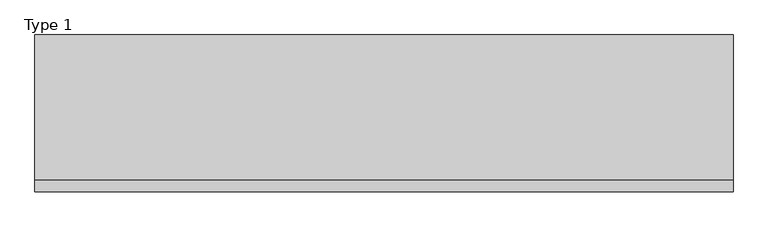
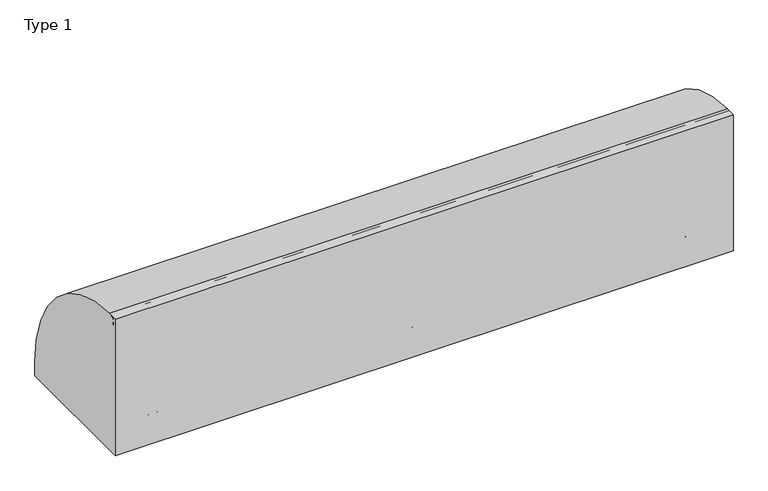
"""IFC4 building model written with IfcOpenShell, lengths in millimetres: railing geometry, Type 1."""

from ifc_helpers import new_model, si_unit, point, frame, frame_2d, origin, origin_with_axes, place, context, project, spatial, polyline, circle_curve, trimmed, segment, composite_curve, outline, extrude, source, transform, mapped, element, save
from ifc_brep_helpers import plane_surface, cylinder_surface, revolved_surface, advanced_brep


def type_1_de88c6c5(model_context):
    return source(origin(), model_context, "Body", "SolidModel", [
        extrude(outline(composite_curve([segment(polyline([(-209.2, 1050.0), (-132.6546144, 1050.0)]), True, "CONTINUOUS"), segment(trimmed(circle_curve(frame_2d((-139.8273072, 108.0)), 942.0273072), [point((-132.6546144, 1050.0))], [point((802.2, 108.0))], False, "CARTESIAN"), True, "CONTINUOUS"), segment(polyline([(802.2, 108.0), (802.2, 0.0), (-209.2, 0.0), (-209.2, 1050.0)]), True, "CONTINUOUS")], self_intersect=False)), frame((-300.0, 0.0, 0.0), z_axis=(1.0, 0.0, 0.0), x_axis=(0.0, 1.0, 0.0)), (0.0, 0.0, 1.0), 4500.0),
        extrude(outline(composite_curve([segment(trimmed(circle_curve(frame_2d((-131.287505, 538.0)), 20.0), [point((-112.7, 530.617273))], [point((-147.0, 525.6259343))], False, "CARTESIAN"), True, "CONTINUOUS"), segment(polyline([(-147.0, 525.6259343), (-147.0, 550.3740657)]), True, "CONTINUOUS"), segment(trimmed(circle_curve(frame_2d((-131.287505, 538.0)), 20.0), [point((-147.0, 550.3740657))], [point((-112.7, 545.382727))], False, "CARTESIAN"), True, "CONTINUOUS"), segment(polyline([(-112.7, 545.382727), (-116.7, 545.382727), (-116.7, 530.617273), (-112.7, 530.617273)]), True, "CONTINUOUS")], self_intersect=False)), frame((-280.0, 0.0, 0.0), z_axis=(1.0, 0.0, 0.0), x_axis=(0.0, 1.0, 0.0)), (0.0, 0.0, 1.0), 4470.0),
        extrude(outline(composite_curve([segment(trimmed(circle_curve(frame_2d((-166.0, 1025.0)), 25.0), [point((-187.0, 1011.43534))], [point((-145.0, 1011.43534))], False, "CARTESIAN"), True, "CONTINUOUS"), segment(polyline([(-145.0, 1011.43534), (-145.0, 993.0), (-146.0, 993.0), (-146.0, 1008.0), (-186.0, 1008.0), (-186.0, 993.0), (-187.0, 993.0), (-187.0, 1011.43534)]), True, "CONTINUOUS")], self_intersect=False)), frame((-300.0, 0.0, 0.0), z_axis=(1.0, 0.0, 0.0), x_axis=(0.0, 1.0, 0.0)), (0.0, 0.0, 1.0), 4500.0),
        extrude(outline(polyline([(1870.0, -185.0), (1870.0, 0.0), (1915.0, 0.0), (1915.0, -185.0), (1870.0, -185.0)])), origin_with_axes(), (0.0, 0.0, 1.0), 2.5),
        extrude(outline(composite_curve([segment(polyline([(-185.0, 185.0), (-154.0180942, 185.0)]), True, "CONTINUOUS"), segment(trimmed(circle_curve(frame_2d((-154.0180942, 112.1212122)), 72.8787879), [point((-154.0180942, 185.0))], [point((-102.485009, 163.6542973))], False, "CARTESIAN"), True, "CONTINUOUS"), segment(polyline([(-102.485009, 163.6542973), (-4.3933983, 65.5626865)]), True, "CONTINUOUS"), segment(trimmed(circle_curve(frame_2d((-15.0, 54.9560848)), 15.0), [point((-4.3933983, 65.5626865))], [point((0.0, 54.9560848))], False, "CARTESIAN"), True, "CONTINUOUS"), segment(polyline([(0.0, 54.9560848), (0.0, 0.0), (-185.0, 0.0), (-185.0, 185.0)]), True, "CONTINUOUS")], self_intersect=False), holes=[composite_curve([segment(trimmed(circle_curve(frame_2d((-92.5196719, 93.0361975)), 5.6060606), [point((-98.1257325, 93.0361975))], [point((-86.9136113, 93.0361975))], True, "CARTESIAN"), True, "CONTINUOUS"), segment(trimmed(circle_curve(frame_2d((-165.5151515, 93.0361975)), 78.6015402), [point((-86.9136113, 93.0361975))], [point((-165.5151515, 171.6377377))], True, "CARTESIAN"), True, "CONTINUOUS"), segment(trimmed(circle_curve(frame_2d((-165.5151515, 166.0316771)), 5.6060606), [point((-165.5151515, 171.6377377))], [point((-171.1212121, 166.0316771))], True, "CARTESIAN"), True, "CONTINUOUS"), segment(polyline([(-171.1212121, 166.0316771), (-171.1212121, 143.5676849)]), True, "CONTINUOUS"), segment(trimmed(circle_curve(frame_2d((-165.5151515, 143.5676849)), 5.6060606), [point((-171.1212121, 143.5676849))], [point((-159.9090909, 143.5676849))], True, "CARTESIAN"), True, "CONTINUOUS"), segment(polyline([(-159.9090909, 143.5676849), (-159.9090909, 157.7293747)]), True, "CONTINUOUS"), segment(trimmed(circle_curve(frame_2d((-157.6849895, 157.7293747)), 2.2241014), [point((-159.9090909, 157.7293747))], [point((-157.417745, 159.9373619))], False, "CARTESIAN"), True, "CONTINUOUS"), segment(trimmed(circle_curve(frame_2d((-165.5151515, 93.0361975)), 67.389419), [point((-157.417745, 159.9373619))], [point((-98.1257325, 93.0361975))], False, "CARTESIAN"), True, "CONTINUOUS")], self_intersect=False)]), frame((1915.0, 0.0, 0.0), z_axis=(1.0, 0.0, 0.0), x_axis=(0.0, 1.0, 0.0)), (0.0, 0.0, 1.0), 3.0),
        advanced_brep(
        [(1982.0, -185.0, 185.0), (1982.0, -154.0180942, 185.0), (1982.0, -102.485009, 163.6542973), (1982.0, -4.3933983, 65.5626865), (1982.0, 0.0, 54.9560848), (1982.0, 0.0, 0.0), (1982.0, -185.0, 0.0), (1982.0, -185.0, 100.9768515), (1982.0, -98.1257325, 93.0361975), (1982.0, -86.9136113, 93.0361975), (1982.0, -165.5151515, 171.6377377), (1982.0, -171.1212121, 166.0316771), (1982.0, -171.1212121, 143.5676849), (1982.0, -159.9090909, 143.5676849), (1982.0, -159.9090909, 157.7293747), (1982.0, -157.417745, 159.9373619), (1985.0, 0.0, 54.9560848), (1985.0, -4.3933983, 65.5626865), (1985.0, -102.485009, 163.6542973), (1985.0, -154.0180942, 185.0), (1985.0, -188.0, 185.0), (1985.0, -188.0, 100.9768515), (1985.0, -185.0, 100.9768515), (1985.0, -185.0, 2.5), (1985.0, 0.0, 2.5), (1985.0, -98.1257325, 93.0361975), (1985.0, -157.417745, 159.9373619), (1985.0, -159.9090909, 157.7293747), (1985.0, -159.9090909, 143.5676849), (1985.0, -171.1212121, 143.5676849), (1985.0, -171.1212121, 166.0316771), (1985.0, -165.5151515, 171.6377377), (1985.0, -86.9136113, 93.0361975), (1915.0, -185.0, 185.0), (1915.0, -188.0, 185.0), (2030.0, 0.0, 2.5), (2030.0, 0.0, 0.0), (2030.0, -185.0, 0.0), (2030.0, -185.0, 2.5), (1915.0, -188.0, 100.9768515), (1915.0, -185.0, 100.9768515)],
        [
            (0, 1),
            (1, 2, circle_curve(frame((1982.0, -154.0180942, 112.1212122), z_axis=(-1.0, 0.0, 0.0), x_axis=(0.0, -1.0, 0.0)), 72.8787879)),
            (2, 3),
            (3, 4, circle_curve(frame((1982.0, -15.0, 54.9560848), z_axis=(-1.0, 0.0, 0.0), x_axis=(0.0, -1.0, 0.0)), 15.0)),
            (4, 5),
            (5, 6),
            (6, 7),
            (7, 0),
            (8, 9, circle_curve(frame((1982.0, -92.5196719, 93.0361975), z_axis=(1.0, 0.0, 0.0), x_axis=(0.0, -1.0, 0.0)), 5.6060606)),
            (9, 10, circle_curve(frame((1982.0, -165.5151515, 93.0361975), z_axis=(1.0, 0.0, 0.0), x_axis=(0.0, -1.0, 0.0)), 78.6015402)),
            (10, 11, circle_curve(frame((1982.0, -165.5151515, 166.0316771), z_axis=(1.0, 0.0, 0.0), x_axis=(0.0, -1.0, 0.0)), 5.6060606)),
            (11, 12),
            (12, 13, circle_curve(frame((1982.0, -165.5151515, 143.5676849), z_axis=(1.0, 0.0, 0.0), x_axis=(0.0, -1.0, 0.0)), 5.6060606)),
            (13, 14),
            (14, 15, circle_curve(frame((1982.0, -157.6849895, 157.7293747), z_axis=(-1.0, 0.0, 0.0), x_axis=(0.0, -1.0, 0.0)), 2.2241014)),
            (15, 8, circle_curve(frame((1982.0, -165.5151515, 93.0361975), z_axis=(-1.0, 0.0, 0.0), x_axis=(0.0, -1.0, 0.0)), 67.389419)),
            (16, 17, circle_curve(frame((1985.0, -15.0, 54.9560848), z_axis=(1.0, 0.0, 0.0), x_axis=(0.0, -1.0, 0.0)), 15.0)),
            (17, 18),
            (18, 19, circle_curve(frame((1985.0, -154.0180942, 112.1212122), z_axis=(1.0, 0.0, 0.0), x_axis=(0.0, -1.0, 0.0)), 72.8787879)),
            (19, 20),
            (20, 21),
            (21, 22),
            (22, 23),
            (23, 24),
            (24, 16),
            (25, 26, circle_curve(frame((1985.0, -165.5151515, 93.0361975), z_axis=(1.0, 0.0, 0.0), x_axis=(0.0, -1.0, 0.0)), 67.389419)),
            (26, 27, circle_curve(frame((1985.0, -157.6849895, 157.7293747), z_axis=(1.0, 0.0, 0.0), x_axis=(0.0, -1.0, 0.0)), 2.2241014)),
            (27, 28),
            (28, 29, circle_curve(frame((1985.0, -165.5151515, 143.5676849), z_axis=(-1.0, 0.0, 0.0), x_axis=(0.0, -1.0, 0.0)), 5.6060606)),
            (29, 30),
            (30, 31, circle_curve(frame((1985.0, -165.5151515, 166.0316771), z_axis=(-1.0, 0.0, 0.0), x_axis=(0.0, -1.0, 0.0)), 5.6060606)),
            (31, 32, circle_curve(frame((1985.0, -165.5151515, 93.0361975), z_axis=(-1.0, 0.0, 0.0), x_axis=(0.0, -1.0, 0.0)), 78.6015402)),
            (32, 25, circle_curve(frame((1985.0, -92.5196719, 93.0361975), z_axis=(-1.0, 0.0, 0.0), x_axis=(0.0, -1.0, 0.0)), 5.6060606)),
            (0, 33),
            (33, 34),
            (34, 20),
            (19, 1),
            (18, 2),
            (17, 3),
            (16, 4),
            (24, 35),
            (35, 36),
            (36, 5),
            (36, 37),
            (37, 6),
            (37, 38),
            (38, 23),
            (22, 7),
            (8, 25),
            (32, 9),
            (31, 10),
            (30, 11),
            (15, 26),
            (29, 12),
            (28, 13),
            (27, 14),
            (34, 39),
            (39, 21),
            (40, 33),
            (7, 40),
            (40, 39),
            (38, 35),
        ],
        [
            plane_surface(frame((1982.0, -183.2270223, 185.0), z_axis=(-1.0, 0.0, 0.0), x_axis=(0.0, 1.0, 0.0))),
            plane_surface(frame((1985.0, -183.2270223, 185.0), z_axis=(1.0, 0.0, 0.0), x_axis=(0.0, -1.0, 0.0))),
            plane_surface(frame((1982.0, -185.0, 185.0), z_axis=(0.0, 0.0, 1.0), x_axis=(1.0, 0.0, 0.0))),
            cylinder_surface(frame((1985.0, -154.0180942, 112.1212122), z_axis=(-1.0, 0.0, 0.0), x_axis=(0.0, -1.0, 0.0)), 72.8787879),
            plane_surface(frame((1982.0, -102.485009, 163.6542973), z_axis=(0.0, 0.7071067811865421, 0.707106781186553), x_axis=(1.0, 0.0, 0.0))),
            cylinder_surface(frame((1985.0, -15.0, 54.9560848), z_axis=(-1.0, 0.0, 0.0), x_axis=(0.0, -1.0, 0.0)), 15.0),
            plane_surface(frame((1982.0, 0.0, 54.9560848), z_axis=(0.0, 1.0, 0.0), x_axis=(1.0, 0.0, 0.0))),
            plane_surface(frame((1982.0, 0.0, 0.0), z_axis=(0.0, 0.0, -1.0), x_axis=(1.0, 0.0, 0.0))),
            plane_surface(frame((1982.0, -185.0, 0.0), z_axis=(0.0, -1.0, 0.0), x_axis=(1.0, 0.0, 0.0))),
            revolved_surface(polyline([(1985.0, -98.12573250000001, 93.0361975), (1982.0, -98.12573250000001, 93.0361975)]), (1985.0, -92.5196719, 93.0361975), (1.0, 0.0, 0.0)),
            revolved_surface(polyline([(1985.0, -244.1166917, 93.0361975), (1982.0, -244.1166917, 93.0361975)]), (1985.0, -165.5151515, 93.0361975), (1.0, 0.0, 0.0)),
            revolved_surface(polyline([(1985.0, -171.1212121, 166.0316771), (1982.0, -171.1212121, 166.0316771)]), (1985.0, -165.5151515, 166.0316771), (1.0, 0.0, 0.0)),
            cylinder_surface(frame((1985.0, -165.5151515, 93.0361975), z_axis=(-1.0, 0.0, 0.0), x_axis=(0.0, -1.0, 0.0)), 67.389419),
            plane_surface(frame((1982.0, -171.1212121, 166.0316771), z_axis=(0.0, 1.0, 0.0), x_axis=(1.0, 0.0, 0.0))),
            revolved_surface(polyline([(1985.0, -171.1212121, 143.5676849), (1982.0, -171.1212121, 143.5676849)]), (1985.0, -165.5151515, 143.5676849), (1.0, 0.0, 0.0)),
            plane_surface(frame((1982.0, -159.9090909, 143.5676849), z_axis=(0.0, -1.0, 0.0), x_axis=(1.0, 0.0, 0.0))),
            cylinder_surface(frame((1985.0, -157.6849895, 157.7293747), z_axis=(-1.0, 0.0, 0.0), x_axis=(0.0, -1.0, 0.0)), 2.2241014),
            plane_surface(frame((1915.0, -188.0, 185.0), z_axis=(0.0, -1.0, 0.0), x_axis=(-1.0, 0.0, 0.0))),
            plane_surface(frame((1915.0, -185.0, 185.0), z_axis=(0.0, 1.0, 0.0), x_axis=(1.0, 0.0, 0.0))),
            plane_surface(frame((1915.0, -188.0, 185.0), z_axis=(-1.0, 0.0, 0.0), x_axis=(0.0, 1.0, 0.0))),
            plane_surface(frame((1915.0, -188.0, 100.9768515), z_axis=(0.0, 0.0, -1.0), x_axis=(0.0, 1.0, 0.0))),
            plane_surface(frame((2030.0, -185.0, 2.5), z_axis=(0.0, 0.0, 1.0), x_axis=(0.0, 1.0, 0.0))),
            plane_surface(frame((2030.0, -185.0, 2.5), z_axis=(1.0, 0.0, 0.0), x_axis=(0.0, 0.0, -1.0))),
        ],
        [
            (0, [[1, 2, 3, 4, 5, 6, 7, 8], [9, 10, 11, 12, 13, 14, 15, 16]]),
            (1, [[17, 18, 19, 20, 21, 22, 23, 24, 25], [26, 27, 28, 29, 30, 31, 32, 33]]),
            (2, [[-1, 34, 35, 36, -20, 37]]),
            (3, [[-2, -37, -19, 38]]),
            (4, [[-3, -38, -18, 39]]),
            (5, [[-4, -39, -17, 40]]),
            (6, [[-5, -40, -25, 41, 42, 43]]),
            (7, [[-6, -43, 44, 45]]),
            (8, [[-45, 46, 47, -23, 48, -7]]),
            (9, [[-9, 49, -33, 50]]),
            (10, [[-10, -50, -32, 51]]),
            (11, [[-11, -51, -31, 52]]),
            (12, [[-16, 53, -26, -49]]),
            (13, [[-12, -52, -30, 54]]),
            (14, [[-13, -54, -29, 55]]),
            (15, [[-14, -55, -28, 56]]),
            (16, [[-15, -56, -27, -53]]),
            (17, [[-36, 57, 58, -21]]),
            (18, [[59, -34, -8, 60]]),
            (19, [[-57, -35, -59, 61]]),
            (20, [[-58, -61, -60, -48, -22]]),
            (21, [[62, -41, -24, -47]]),
            (22, [[-62, -46, -44, -42]]),
        ],
    ),
        extrude(outline(composite_curve([segment(trimmed(circle_curve(frame_2d((1927.0, -180.0)), 5.0), [point((1927.0, -185.0))], [point((1922.0, -180.0))], False, "CARTESIAN"), True, "CONTINUOUS"), segment(polyline([(1922.0, -180.0), (1922.0, -152.0)]), True, "CONTINUOUS"), segment(trimmed(circle_curve(frame_2d((1927.0, -152.0)), 5.0), [point((1922.0, -152.0))], [point((1927.0, -147.0))], False, "CARTESIAN"), True, "CONTINUOUS"), segment(polyline([(1927.0, -147.0), (1973.0, -147.0)]), True, "CONTINUOUS"), segment(trimmed(circle_curve(frame_2d((1973.0, -152.0)), 5.0), [point((1973.0, -147.0))], [point((1978.0, -152.0))], False, "CARTESIAN"), True, "CONTINUOUS"), segment(polyline([(1978.0, -152.0), (1978.0, -180.0)]), True, "CONTINUOUS"), segment(trimmed(circle_curve(frame_2d((1973.0, -180.0)), 5.0), [point((1978.0, -180.0))], [point((1973.0, -185.0))], False, "CARTESIAN"), True, "CONTINUOUS"), segment(polyline([(1973.0, -185.0), (1927.0, -185.0)]), True, "CONTINUOUS")], self_intersect=False)), frame((0.0, 0.0, 43.0), z_axis=(0.0, 0.0, 1.0), x_axis=(1.0, 0.0, 0.0)), (0.0, 0.0, 1.0), 965.0),
        extrude(outline(polyline([(3792.0, -185.0), (3792.0, 0.0), (3837.0, 0.0), (3837.0, -185.0), (3792.0, -185.0)])), origin_with_axes(), (0.0, 0.0, 1.0), 2.5),
        extrude(outline(composite_curve([segment(polyline([(-185.0, 185.0), (-154.0180942, 185.0)]), True, "CONTINUOUS"), segment(trimmed(circle_curve(frame_2d((-154.0180942, 112.1212122)), 72.8787879), [point((-154.0180942, 185.0))], [point((-102.485009, 163.6542973))], False, "CARTESIAN"), True, "CONTINUOUS"), segment(polyline([(-102.485009, 163.6542973), (-4.3933983, 65.5626865)]), True, "CONTINUOUS"), segment(trimmed(circle_curve(frame_2d((-15.0, 54.9560848)), 15.0), [point((-4.3933983, 65.5626865))], [point((0.0, 54.9560848))], False, "CARTESIAN"), True, "CONTINUOUS"), segment(polyline([(0.0, 54.9560848), (0.0, 0.0), (-185.0, 0.0), (-185.0, 185.0)]), True, "CONTINUOUS")], self_intersect=False), holes=[composite_curve([segment(trimmed(circle_curve(frame_2d((-92.5196719, 93.0361975)), 5.6060606), [point((-98.1257325, 93.0361975))], [point((-86.9136113, 93.0361975))], True, "CARTESIAN"), True, "CONTINUOUS"), segment(trimmed(circle_curve(frame_2d((-165.5151515, 93.0361975)), 78.6015402), [point((-86.9136113, 93.0361975))], [point((-165.5151515, 171.6377377))], True, "CARTESIAN"), True, "CONTINUOUS"), segment(trimmed(circle_curve(frame_2d((-165.5151515, 166.0316771)), 5.6060606), [point((-165.5151515, 171.6377377))], [point((-171.1212121, 166.0316771))], True, "CARTESIAN"), True, "CONTINUOUS"), segment(polyline([(-171.1212121, 166.0316771), (-171.1212121, 143.5676849)]), True, "CONTINUOUS"), segment(trimmed(circle_curve(frame_2d((-165.5151515, 143.5676849)), 5.6060606), [point((-171.1212121, 143.5676849))], [point((-159.9090909, 143.5676849))], True, "CARTESIAN"), True, "CONTINUOUS"), segment(polyline([(-159.9090909, 143.5676849), (-159.9090909, 157.7293747)]), True, "CONTINUOUS"), segment(trimmed(circle_curve(frame_2d((-157.6849895, 157.7293747)), 2.2241014), [point((-159.9090909, 157.7293747))], [point((-157.417745, 159.9373619))], False, "CARTESIAN"), True, "CONTINUOUS"), segment(trimmed(circle_curve(frame_2d((-165.5151515, 93.0361975)), 67.389419), [point((-157.417745, 159.9373619))], [point((-98.1257325, 93.0361975))], False, "CARTESIAN"), True, "CONTINUOUS")], self_intersect=False)]), frame((3837.0, 0.0, 0.0), z_axis=(1.0, 0.0, 0.0), x_axis=(0.0, 1.0, 0.0)), (0.0, 0.0, 1.0), 3.0),
        advanced_brep(
        [(3904.0, -185.0, 185.0), (3904.0, -154.0180942, 185.0), (3904.0, -102.485009, 163.6542973), (3904.0, -4.3933983, 65.5626865), (3904.0, 0.0, 54.9560848), (3904.0, 0.0, 0.0), (3904.0, -185.0, 0.0), (3904.0, -185.0, 100.9768515), (3904.0, -98.1257325, 93.0361975), (3904.0, -86.9136113, 93.0361975), (3904.0, -165.5151515, 171.6377377), (3904.0, -171.1212121, 166.0316771), (3904.0, -171.1212121, 143.5676849), (3904.0, -159.9090909, 143.5676849), (3904.0, -159.9090909, 157.7293747), (3904.0, -157.417745, 159.9373619), (3907.0, 0.0, 54.9560848), (3907.0, -4.3933983, 65.5626865), (3907.0, -102.485009, 163.6542973), (3907.0, -154.0180942, 185.0), (3907.0, -188.0, 185.0), (3907.0, -188.0, 100.9768515), (3907.0, -185.0, 100.9768515), (3907.0, -185.0, 2.5), (3907.0, 0.0, 2.5), (3907.0, -98.1257325, 93.0361975), (3907.0, -157.417745, 159.9373619), (3907.0, -159.9090909, 157.7293747), (3907.0, -159.9090909, 143.5676849), (3907.0, -171.1212121, 143.5676849), (3907.0, -171.1212121, 166.0316771), (3907.0, -165.5151515, 171.6377377), (3907.0, -86.9136113, 93.0361975), (3837.0, -185.0, 185.0), (3837.0, -188.0, 185.0), (3952.0, 0.0, 2.5), (3952.0, 0.0, 0.0), (3952.0, -185.0, 0.0), (3952.0, -185.0, 2.5), (3837.0, -188.0, 100.9768515), (3837.0, -185.0, 100.9768515)],
        [
            (0, 1),
            (1, 2, circle_curve(frame((3904.0, -154.0180942, 112.1212122), z_axis=(-1.0, 0.0, 0.0), x_axis=(0.0, -1.0, 0.0)), 72.8787879)),
            (2, 3),
            (3, 4, circle_curve(frame((3904.0, -15.0, 54.9560848), z_axis=(-1.0, 0.0, 0.0), x_axis=(0.0, -1.0, 0.0)), 15.0)),
            (4, 5),
            (5, 6),
            (6, 7),
            (7, 0),
            (8, 9, circle_curve(frame((3904.0, -92.5196719, 93.0361975), z_axis=(1.0, 0.0, 0.0), x_axis=(0.0, -1.0, 0.0)), 5.6060606)),
            (9, 10, circle_curve(frame((3904.0, -165.5151515, 93.0361975), z_axis=(1.0, 0.0, 0.0), x_axis=(0.0, -1.0, 0.0)), 78.6015402)),
            (10, 11, circle_curve(frame((3904.0, -165.5151515, 166.0316771), z_axis=(1.0, 0.0, 0.0), x_axis=(0.0, -1.0, 0.0)), 5.6060606)),
            (11, 12),
            (12, 13, circle_curve(frame((3904.0, -165.5151515, 143.5676849), z_axis=(1.0, 0.0, 0.0), x_axis=(0.0, -1.0, 0.0)), 5.6060606)),
            (13, 14),
            (14, 15, circle_curve(frame((3904.0, -157.6849895, 157.7293747), z_axis=(-1.0, 0.0, 0.0), x_axis=(0.0, -1.0, 0.0)), 2.2241014)),
            (15, 8, circle_curve(frame((3904.0, -165.5151515, 93.0361975), z_axis=(-1.0, 0.0, 0.0), x_axis=(0.0, -1.0, 0.0)), 67.389419)),
            (16, 17, circle_curve(frame((3907.0, -15.0, 54.9560848), z_axis=(1.0, 0.0, 0.0), x_axis=(0.0, -1.0, 0.0)), 15.0)),
            (17, 18),
            (18, 19, circle_curve(frame((3907.0, -154.0180942, 112.1212122), z_axis=(1.0, 0.0, 0.0), x_axis=(0.0, -1.0, 0.0)), 72.8787879)),
            (19, 20),
            (20, 21),
            (21, 22),
            (22, 23),
            (23, 24),
            (24, 16),
            (25, 26, circle_curve(frame((3907.0, -165.5151515, 93.0361975), z_axis=(1.0, 0.0, 0.0), x_axis=(0.0, -1.0, 0.0)), 67.389419)),
            (26, 27, circle_curve(frame((3907.0, -157.6849895, 157.7293747), z_axis=(1.0, 0.0, 0.0), x_axis=(0.0, -1.0, 0.0)), 2.2241014)),
            (27, 28),
            (28, 29, circle_curve(frame((3907.0, -165.5151515, 143.5676849), z_axis=(-1.0, 0.0, 0.0), x_axis=(0.0, -1.0, 0.0)), 5.6060606)),
            (29, 30),
            (30, 31, circle_curve(frame((3907.0, -165.5151515, 166.0316771), z_axis=(-1.0, 0.0, 0.0), x_axis=(0.0, -1.0, 0.0)), 5.6060606)),
            (31, 32, circle_curve(frame((3907.0, -165.5151515, 93.0361975), z_axis=(-1.0, 0.0, 0.0), x_axis=(0.0, -1.0, 0.0)), 78.6015402)),
            (32, 25, circle_curve(frame((3907.0, -92.5196719, 93.0361975), z_axis=(-1.0, 0.0, 0.0), x_axis=(0.0, -1.0, 0.0)), 5.6060606)),
            (0, 33),
            (33, 34),
            (34, 20),
            (19, 1),
            (18, 2),
            (17, 3),
            (16, 4),
            (24, 35),
            (35, 36),
            (36, 5),
            (36, 37),
            (37, 6),
            (37, 38),
            (38, 23),
            (22, 7),
            (8, 25),
            (32, 9),
            (31, 10),
            (30, 11),
            (15, 26),
            (29, 12),
            (28, 13),
            (27, 14),
            (34, 39),
            (39, 21),
            (40, 33),
            (7, 40),
            (40, 39),
            (38, 35),
        ],
        [
            plane_surface(frame((3904.0, -183.2270223, 185.0), z_axis=(-1.0, 0.0, 0.0), x_axis=(0.0, 1.0, 0.0))),
            plane_surface(frame((3907.0, -183.2270223, 185.0), z_axis=(1.0, 0.0, 0.0), x_axis=(0.0, -1.0, 0.0))),
            plane_surface(frame((3904.0, -185.0, 185.0), z_axis=(0.0, 0.0, 1.0), x_axis=(1.0, 0.0, 0.0))),
            cylinder_surface(frame((3907.0, -154.0180942, 112.1212122), z_axis=(-1.0, 0.0, 0.0), x_axis=(0.0, -1.0, 0.0)), 72.8787879),
            plane_surface(frame((3904.0, -102.485009, 163.6542973), z_axis=(0.0, 0.7071067811865421, 0.707106781186553), x_axis=(1.0, 0.0, 0.0))),
            cylinder_surface(frame((3907.0, -15.0, 54.9560848), z_axis=(-1.0, 0.0, 0.0), x_axis=(0.0, -1.0, 0.0)), 15.0),
            plane_surface(frame((3904.0, 0.0, 54.9560848), z_axis=(0.0, 1.0, 0.0), x_axis=(1.0, 0.0, 0.0))),
            plane_surface(frame((3904.0, 0.0, 0.0), z_axis=(0.0, 0.0, -1.0), x_axis=(1.0, 0.0, 0.0))),
            plane_surface(frame((3904.0, -185.0, 0.0), z_axis=(0.0, -1.0, 0.0), x_axis=(1.0, 0.0, 0.0))),
            revolved_surface(polyline([(3907.0, -98.12573250000001, 93.0361975), (3904.0, -98.12573250000001, 93.0361975)]), (3907.0, -92.5196719, 93.0361975), (1.0, 0.0, 0.0)),
            revolved_surface(polyline([(3907.0, -244.1166917, 93.0361975), (3904.0, -244.1166917, 93.0361975)]), (3907.0, -165.5151515, 93.0361975), (1.0, 0.0, 0.0)),
            revolved_surface(polyline([(3907.0, -171.1212121, 166.0316771), (3904.0, -171.1212121, 166.0316771)]), (3907.0, -165.5151515, 166.0316771), (1.0, 0.0, 0.0)),
            cylinder_surface(frame((3907.0, -165.5151515, 93.0361975), z_axis=(-1.0, 0.0, 0.0), x_axis=(0.0, -1.0, 0.0)), 67.389419),
            plane_surface(frame((3904.0, -171.1212121, 166.0316771), z_axis=(0.0, 1.0, 0.0), x_axis=(1.0, 0.0, 0.0))),
            revolved_surface(polyline([(3907.0, -171.1212121, 143.5676849), (3904.0, -171.1212121, 143.5676849)]), (3907.0, -165.5151515, 143.5676849), (1.0, 0.0, 0.0)),
            plane_surface(frame((3904.0, -159.9090909, 143.5676849), z_axis=(0.0, -1.0, 0.0), x_axis=(1.0, 0.0, 0.0))),
            cylinder_surface(frame((3907.0, -157.6849895, 157.7293747), z_axis=(-1.0, 0.0, 0.0), x_axis=(0.0, -1.0, 0.0)), 2.2241014),
            plane_surface(frame((3837.0, -188.0, 185.0), z_axis=(0.0, -1.0, 0.0), x_axis=(-1.0, 0.0, 0.0))),
            plane_surface(frame((3837.0, -185.0, 185.0), z_axis=(0.0, 1.0, 0.0), x_axis=(1.0, 0.0, 0.0))),
            plane_surface(frame((3837.0, -188.0, 185.0), z_axis=(-1.0, 0.0, 0.0), x_axis=(0.0, 1.0, 0.0))),
            plane_surface(frame((3837.0, -188.0, 100.9768515), z_axis=(0.0, 0.0, -1.0), x_axis=(0.0, 1.0, 0.0))),
            plane_surface(frame((3952.0, -185.0, 2.5), z_axis=(0.0, 0.0, 1.0), x_axis=(0.0, 1.0, 0.0))),
            plane_surface(frame((3952.0, -185.0, 2.5), z_axis=(1.0, 0.0, 0.0), x_axis=(0.0, 0.0, -1.0))),
        ],
        [
            (0, [[1, 2, 3, 4, 5, 6, 7, 8], [9, 10, 11, 12, 13, 14, 15, 16]]),
            (1, [[17, 18, 19, 20, 21, 22, 23, 24, 25], [26, 27, 28, 29, 30, 31, 32, 33]]),
            (2, [[-1, 34, 35, 36, -20, 37]]),
            (3, [[-2, -37, -19, 38]]),
            (4, [[-3, -38, -18, 39]]),
            (5, [[-4, -39, -17, 40]]),
            (6, [[-5, -40, -25, 41, 42, 43]]),
            (7, [[-6, -43, 44, 45]]),
            (8, [[-45, 46, 47, -23, 48, -7]]),
            (9, [[-9, 49, -33, 50]]),
            (10, [[-10, -50, -32, 51]]),
            (11, [[-11, -51, -31, 52]]),
            (12, [[-16, 53, -26, -49]]),
            (13, [[-12, -52, -30, 54]]),
            (14, [[-13, -54, -29, 55]]),
            (15, [[-14, -55, -28, 56]]),
            (16, [[-15, -56, -27, -53]]),
            (17, [[-36, 57, 58, -21]]),
            (18, [[59, -34, -8, 60]]),
            (19, [[-57, -35, -59, 61]]),
            (20, [[-58, -61, -60, -48, -22]]),
            (21, [[62, -41, -24, -47]]),
            (22, [[-62, -46, -44, -42]]),
        ],
    ),
        extrude(outline(composite_curve([segment(trimmed(circle_curve(frame_2d((3849.0, -180.0)), 5.0), [point((3849.0, -185.0))], [point((3844.0, -180.0))], False, "CARTESIAN"), True, "CONTINUOUS"), segment(polyline([(3844.0, -180.0), (3844.0, -152.0)]), True, "CONTINUOUS"), segment(trimmed(circle_curve(frame_2d((3849.0, -152.0)), 5.0), [point((3844.0, -152.0))], [point((3849.0, -147.0))], False, "CARTESIAN"), True, "CONTINUOUS"), segment(polyline([(3849.0, -147.0), (3895.0, -147.0)]), True, "CONTINUOUS"), segment(trimmed(circle_curve(frame_2d((3895.0, -152.0)), 5.0), [point((3895.0, -147.0))], [point((3900.0, -152.0))], False, "CARTESIAN"), True, "CONTINUOUS"), segment(polyline([(3900.0, -152.0), (3900.0, -180.0)]), True, "CONTINUOUS"), segment(trimmed(circle_curve(frame_2d((3895.0, -180.0)), 5.0), [point((3900.0, -180.0))], [point((3895.0, -185.0))], False, "CARTESIAN"), True, "CONTINUOUS"), segment(polyline([(3895.0, -185.0), (3849.0, -185.0)]), True, "CONTINUOUS")], self_intersect=False)), frame((0.0, 0.0, 43.0), z_axis=(0.0, 0.0, 1.0), x_axis=(1.0, 0.0, 0.0)), (0.0, 0.0, 1.0), 965.0),
        extrude(outline(polyline([(-52.0, -185.0), (-52.0, 0.0), (-7.0, 0.0), (-7.0, -185.0), (-52.0, -185.0)])), origin_with_axes(), (0.0, 0.0, 1.0), 2.5),
        extrude(outline(composite_curve([segment(polyline([(-185.0, 185.0), (-154.0180942, 185.0)]), True, "CONTINUOUS"), segment(trimmed(circle_curve(frame_2d((-154.0180942, 112.1212121)), 72.8787879), [point((-154.0180942, 185.0))], [point((-102.485009, 163.6542972))], False, "CARTESIAN"), True, "CONTINUOUS"), segment(polyline([(-102.485009, 163.6542972), (-4.3933983, 65.5626865)]), True, "CONTINUOUS"), segment(trimmed(circle_curve(frame_2d((-15.0, 54.9560848)), 15.0), [point((-4.3933983, 65.5626865))], [point((0.0, 54.9560848))], False, "CARTESIAN"), True, "CONTINUOUS"), segment(polyline([(0.0, 54.9560848), (0.0, 0.0), (-185.0, 0.0), (-185.0, 185.0)]), True, "CONTINUOUS")], self_intersect=False), holes=[composite_curve([segment(trimmed(circle_curve(frame_2d((-92.5196719, 93.0361974)), 5.6060606), [point((-98.1257325, 93.0361974))], [point((-86.9136113, 93.0361974))], True, "CARTESIAN"), True, "CONTINUOUS"), segment(trimmed(circle_curve(frame_2d((-165.5151515, 93.0361974)), 78.6015402), [point((-86.9136113, 93.0361974))], [point((-165.5151515, 171.6377376))], True, "CARTESIAN"), True, "CONTINUOUS"), segment(trimmed(circle_curve(frame_2d((-165.5151515, 166.031677)), 5.6060606), [point((-165.5151515, 171.6377376))], [point((-171.1212121, 166.031677))], True, "CARTESIAN"), True, "CONTINUOUS"), segment(polyline([(-171.1212121, 166.031677), (-171.1212121, 143.5676849)]), True, "CONTINUOUS"), segment(trimmed(circle_curve(frame_2d((-165.5151515, 143.5676849)), 5.6060606), [point((-171.1212121, 143.5676849))], [point((-159.9090909, 143.5676849))], True, "CARTESIAN"), True, "CONTINUOUS"), segment(polyline([(-159.9090909, 143.5676849), (-159.9090909, 157.7293746)]), True, "CONTINUOUS"), segment(trimmed(circle_curve(frame_2d((-157.6849895, 157.7293746)), 2.2241014), [point((-159.9090909, 157.7293746))], [point((-157.417745, 159.9373618))], False, "CARTESIAN"), True, "CONTINUOUS"), segment(trimmed(circle_curve(frame_2d((-165.5151515, 93.0361974)), 67.389419), [point((-157.417745, 159.9373618))], [point((-98.1257325, 93.0361974))], False, "CARTESIAN"), True, "CONTINUOUS")], self_intersect=False)]), frame((-7.0, 0.0, 0.0), z_axis=(1.0, 0.0, 0.0), x_axis=(0.0, 1.0, 0.0)), (0.0, 0.0, 1.0), 3.0),
        advanced_brep(
        [(60.0, -185.0, 185.0), (60.0, -154.0180942, 185.0), (60.0, -102.485009, 163.6542972), (60.0, -4.3933983, 65.5626865), (60.0, 0.0, 54.9560848), (60.0, 0.0, 0.0), (60.0, -185.0, 0.0), (60.0, -185.0, 100.9768514), (60.0, -98.1257325, 93.0361974), (60.0, -86.9136113, 93.0361974), (60.0, -165.5151515, 171.6377376), (60.0, -171.1212121, 166.031677), (60.0, -171.1212121, 143.5676849), (60.0, -159.9090909, 143.5676849), (60.0, -159.9090909, 157.7293746), (60.0, -157.417745, 159.9373618), (63.0, 0.0, 54.9560848), (63.0, -4.3933983, 65.5626865), (63.0, -102.485009, 163.6542972), (63.0, -154.0180942, 185.0), (63.0, -188.0, 185.0), (63.0, -188.0, 100.9768514), (63.0, -185.0, 100.9768514), (63.0, -185.0, 2.5), (63.0, 0.0, 2.5), (63.0, -98.1257325, 93.0361974), (63.0, -157.417745, 159.9373618), (63.0, -159.9090909, 157.7293746), (63.0, -159.9090909, 143.5676849), (63.0, -171.1212121, 143.5676849), (63.0, -171.1212121, 166.031677), (63.0, -165.5151515, 171.6377376), (63.0, -86.9136113, 93.0361974), (-7.0, -185.0, 185.0), (-7.0, -188.0, 185.0), (108.0, 0.0, 2.5), (108.0, 0.0, 0.0), (108.0, -185.0, 0.0), (108.0, -185.0, 2.5), (-7.0, -188.0, 100.9768514), (-7.0, -185.0, 100.9768514)],
        [
            (0, 1),
            (1, 2, circle_curve(frame((60.0, -154.0180942, 112.1212121), z_axis=(-1.0, 0.0, 0.0), x_axis=(0.0, -1.0, 0.0)), 72.8787879)),
            (2, 3),
            (3, 4, circle_curve(frame((60.0, -15.0, 54.9560848), z_axis=(-1.0, 0.0, 0.0), x_axis=(0.0, -1.0, 0.0)), 15.0)),
            (4, 5),
            (5, 6),
            (6, 7),
            (7, 0),
            (8, 9, circle_curve(frame((60.0, -92.5196719, 93.0361974), z_axis=(1.0, 0.0, 0.0), x_axis=(0.0, -1.0, 0.0)), 5.6060606)),
            (9, 10, circle_curve(frame((60.0, -165.5151515, 93.0361974), z_axis=(1.0, 0.0, 0.0), x_axis=(0.0, -1.0, 0.0)), 78.6015402)),
            (10, 11, circle_curve(frame((60.0, -165.5151515, 166.031677), z_axis=(1.0, 0.0, 0.0), x_axis=(0.0, -1.0, 0.0)), 5.6060606)),
            (11, 12),
            (12, 13, circle_curve(frame((60.0, -165.5151515, 143.5676849), z_axis=(1.0, 0.0, 0.0), x_axis=(0.0, -1.0, 0.0)), 5.6060606)),
            (13, 14),
            (14, 15, circle_curve(frame((60.0, -157.6849895, 157.7293746), z_axis=(-1.0, 0.0, 0.0), x_axis=(0.0, -1.0, 0.0)), 2.2241014)),
            (15, 8, circle_curve(frame((60.0, -165.5151515, 93.0361974), z_axis=(-1.0, 0.0, 0.0), x_axis=(0.0, -1.0, 0.0)), 67.389419)),
            (16, 17, circle_curve(frame((63.0, -15.0, 54.9560848), z_axis=(1.0, 0.0, 0.0), x_axis=(0.0, -1.0, 0.0)), 15.0)),
            (17, 18),
            (18, 19, circle_curve(frame((63.0, -154.0180942, 112.1212121), z_axis=(1.0, 0.0, 0.0), x_axis=(0.0, -1.0, 0.0)), 72.8787879)),
            (19, 20),
            (20, 21),
            (21, 22),
            (22, 23),
            (23, 24),
            (24, 16),
            (25, 26, circle_curve(frame((63.0, -165.5151515, 93.0361974), z_axis=(1.0, 0.0, 0.0), x_axis=(0.0, -1.0, 0.0)), 67.389419)),
            (26, 27, circle_curve(frame((63.0, -157.6849895, 157.7293746), z_axis=(1.0, 0.0, 0.0), x_axis=(0.0, -1.0, 0.0)), 2.2241014)),
            (27, 28),
            (28, 29, circle_curve(frame((63.0, -165.5151515, 143.5676849), z_axis=(-1.0, 0.0, 0.0), x_axis=(0.0, -1.0, 0.0)), 5.6060606)),
            (29, 30),
            (30, 31, circle_curve(frame((63.0, -165.5151515, 166.031677), z_axis=(-1.0, 0.0, 0.0), x_axis=(0.0, -1.0, 0.0)), 5.6060606)),
            (31, 32, circle_curve(frame((63.0, -165.5151515, 93.0361974), z_axis=(-1.0, 0.0, 0.0), x_axis=(0.0, -1.0, 0.0)), 78.6015402)),
            (32, 25, circle_curve(frame((63.0, -92.5196719, 93.0361974), z_axis=(-1.0, 0.0, 0.0), x_axis=(0.0, -1.0, 0.0)), 5.6060606)),
            (0, 33),
            (33, 34),
            (34, 20),
            (19, 1),
            (18, 2),
            (17, 3),
            (16, 4),
            (24, 35),
            (35, 36),
            (36, 5),
            (36, 37),
            (37, 6),
            (37, 38),
            (38, 23),
            (22, 7),
            (8, 25),
            (32, 9),
            (31, 10),
            (30, 11),
            (15, 26),
            (29, 12),
            (28, 13),
            (27, 14),
            (34, 39),
            (39, 21),
            (40, 33),
            (7, 40),
            (40, 39),
            (38, 35),
        ],
        [
            plane_surface(frame((60.0, -183.2270223, 185.0), z_axis=(-1.0, 0.0, 0.0), x_axis=(0.0, 1.0, 0.0))),
            plane_surface(frame((63.0, -183.2270223, 185.0), z_axis=(1.0, 0.0, 0.0), x_axis=(0.0, -1.0, 0.0))),
            plane_surface(frame((60.0, -185.0, 185.0), z_axis=(0.0, 0.0, 1.0), x_axis=(1.0, 0.0, 0.0))),
            cylinder_surface(frame((63.0, -154.0180942, 112.1212121), z_axis=(-1.0, 0.0, 0.0), x_axis=(0.0, -1.0, 0.0)), 72.8787879),
            plane_surface(frame((60.0, -102.485009, 163.6542972), z_axis=(0.0, 0.7071067811865421, 0.707106781186553), x_axis=(1.0, 0.0, 0.0))),
            cylinder_surface(frame((63.0, -15.0, 54.9560848), z_axis=(-1.0, 0.0, 0.0), x_axis=(0.0, -1.0, 0.0)), 15.0),
            plane_surface(frame((60.0, 0.0, 54.9560848), z_axis=(0.0, 1.0, 0.0), x_axis=(1.0, 0.0, 0.0))),
            plane_surface(frame((60.0, 0.0, 0.0), z_axis=(0.0, 0.0, -1.0), x_axis=(1.0, 0.0, 0.0))),
            plane_surface(frame((60.0, -185.0, 0.0), z_axis=(0.0, -1.0, 0.0), x_axis=(1.0, 0.0, 0.0))),
            revolved_surface(polyline([(63.0, -98.12573250000001, 93.0361974), (60.0, -98.12573250000001, 93.0361974)]), (63.0, -92.5196719, 93.0361974), (1.0, 0.0, 0.0)),
            revolved_surface(polyline([(63.0, -244.1166917, 93.0361974), (60.0, -244.1166917, 93.0361974)]), (63.0, -165.5151515, 93.0361974), (1.0, 0.0, 0.0)),
            revolved_surface(polyline([(63.0, -171.1212121, 166.031677), (60.0, -171.1212121, 166.031677)]), (63.0, -165.5151515, 166.031677), (1.0, 0.0, 0.0)),
            cylinder_surface(frame((63.0, -165.5151515, 93.0361974), z_axis=(-1.0, 0.0, 0.0), x_axis=(0.0, -1.0, 0.0)), 67.389419),
            plane_surface(frame((60.0, -171.1212121, 166.031677), z_axis=(0.0, 1.0, 0.0), x_axis=(1.0, 0.0, 0.0))),
            revolved_surface(polyline([(63.0, -171.1212121, 143.5676849), (60.0, -171.1212121, 143.5676849)]), (63.0, -165.5151515, 143.5676849), (1.0, 0.0, 0.0)),
            plane_surface(frame((60.0, -159.9090909, 143.5676849), z_axis=(0.0, -1.0, 0.0), x_axis=(1.0, 0.0, 0.0))),
            cylinder_surface(frame((63.0, -157.6849895, 157.7293746), z_axis=(-1.0, 0.0, 0.0), x_axis=(0.0, -1.0, 0.0)), 2.2241014),
            plane_surface(frame((-7.0, -188.0, 185.0), z_axis=(0.0, -1.0, 0.0), x_axis=(-1.0, 0.0, 0.0))),
            plane_surface(frame((-7.0, -185.0, 185.0), z_axis=(0.0, 1.0, 0.0), x_axis=(1.0, 0.0, 0.0))),
            plane_surface(frame((-7.0, -188.0, 185.0), z_axis=(-1.0, 0.0, 0.0), x_axis=(0.0, 1.0, 0.0))),
            plane_surface(frame((-7.0, -188.0, 100.9768514), z_axis=(0.0, 0.0, -1.0), x_axis=(0.0, 1.0, 0.0))),
            plane_surface(frame((108.0, -185.0, 2.5), z_axis=(0.0, 0.0, 1.0), x_axis=(0.0, 1.0, 0.0))),
            plane_surface(frame((108.0, -185.0, 2.5), z_axis=(1.0, 0.0, 0.0), x_axis=(0.0, 0.0, -1.0))),
        ],
        [
            (0, [[1, 2, 3, 4, 5, 6, 7, 8], [9, 10, 11, 12, 13, 14, 15, 16]]),
            (1, [[17, 18, 19, 20, 21, 22, 23, 24, 25], [26, 27, 28, 29, 30, 31, 32, 33]]),
            (2, [[-1, 34, 35, 36, -20, 37]]),
            (3, [[-2, -37, -19, 38]]),
            (4, [[-3, -38, -18, 39]]),
            (5, [[-4, -39, -17, 40]]),
            (6, [[-5, -40, -25, 41, 42, 43]]),
            (7, [[-6, -43, 44, 45]]),
            (8, [[-45, 46, 47, -23, 48, -7]]),
            (9, [[-9, 49, -33, 50]]),
            (10, [[-10, -50, -32, 51]]),
            (11, [[-11, -51, -31, 52]]),
            (12, [[-16, 53, -26, -49]]),
            (13, [[-12, -52, -30, 54]]),
            (14, [[-13, -54, -29, 55]]),
            (15, [[-14, -55, -28, 56]]),
            (16, [[-15, -56, -27, -53]]),
            (17, [[-36, 57, 58, -21]]),
            (18, [[59, -34, -8, 60]]),
            (19, [[-57, -35, -59, 61]]),
            (20, [[-58, -61, -60, -48, -22]]),
            (21, [[62, -41, -24, -47]]),
            (22, [[-62, -46, -44, -42]]),
        ],
    ),
        extrude(outline(composite_curve([segment(trimmed(circle_curve(frame_2d((5.0, -180.0)), 5.0), [point((5.0, -185.0))], [point((0.0, -180.0))], False, "CARTESIAN"), True, "CONTINUOUS"), segment(polyline([(0.0, -180.0), (0.0, -152.0)]), True, "CONTINUOUS"), segment(trimmed(circle_curve(frame_2d((5.0, -152.0)), 5.0), [point((0.0, -152.0))], [point((5.0, -147.0))], False, "CARTESIAN"), True, "CONTINUOUS"), segment(polyline([(5.0, -147.0), (51.0, -147.0)]), True, "CONTINUOUS"), segment(trimmed(circle_curve(frame_2d((51.0, -152.0)), 5.0), [point((51.0, -147.0))], [point((56.0, -152.0))], False, "CARTESIAN"), True, "CONTINUOUS"), segment(polyline([(56.0, -152.0), (56.0, -180.0)]), True, "CONTINUOUS"), segment(trimmed(circle_curve(frame_2d((51.0, -180.0)), 5.0), [point((56.0, -180.0))], [point((51.0, -185.0))], False, "CARTESIAN"), True, "CONTINUOUS"), segment(polyline([(51.0, -185.0), (5.0, -185.0)]), True, "CONTINUOUS")], self_intersect=False)), frame((0.0, 0.0, 43.0), z_axis=(0.0, 0.0, 1.0), x_axis=(1.0, 0.0, 0.0)), (0.0, 0.0, 1.0), 965.0),
    ])


if __name__ == "__main__":
    model = new_model("IFC4")
    model_context = context("Model", 3, world=origin())
    ifc_project = project(units=[si_unit("LENGTHUNIT", "METRE", prefix="MILLI")], contexts=[model_context])
    site = spatial("IfcSite", under=ifc_project)
    building = spatial("IfcBuilding", under=site)
    placement = place(None, origin())
    type_1_shape = type_1_de88c6c5(model_context)
    element("IfcRailing", 1, ObjectType="Type 1", at=placement, inside=building, context=model_context, shape_type="MappedRepresentation", body=[
        mapped(type_1_shape, transform((0.0, 0.0, 0.0), x_axis=(1.0, 0.0, 0.0), y_axis=(0.0, 1.0, 0.0), z_axis=(0.0, 0.0, 1.0))),
    ])
    save(model, "model.ifc")
